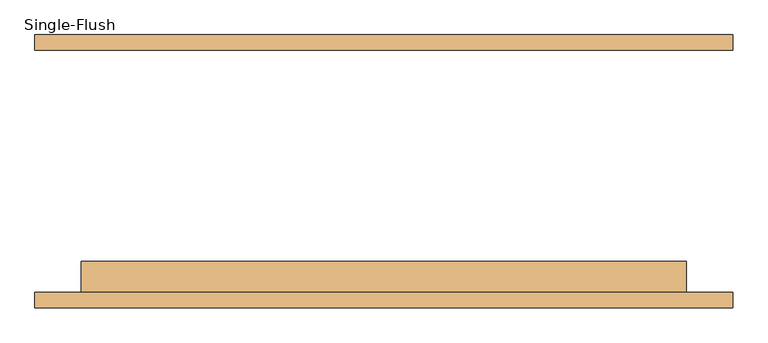
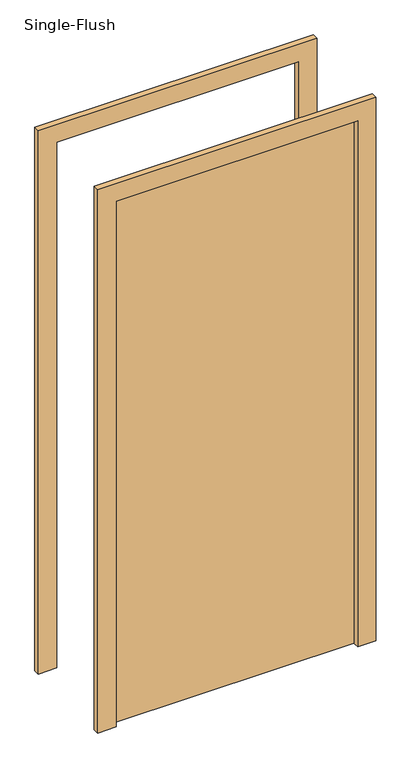
"""IFC4 building model written with IfcOpenShell, lengths in millimetres: door geometry, Single-Flush."""

from ifc_helpers import new_model, si_unit, frame, origin, origin_with_axes, place, context, project, spatial, polyline, outline, extrude, source, transform, mapped, element, save


def single_flush_e9b691e1(model_context):
    return source(origin(), model_context, "Body", "SweptSolid", [
        extrude(outline(polyline([(2376.2, -576.2), (0.0, -576.2), (0.0, -500.0), (2300.0, -500.0), (2300.0, 500.0), (0.0, 500.0), (0.0, 576.2), (2376.2, 576.2), (2376.2, -576.2)])), frame((0.0, -225.4, 0.0), z_axis=(0.0, 1.0, 0.0), x_axis=(0.0, 0.0, 1.0)), (0.0, 0.0, 1.0), 25.4),
        extrude(outline(polyline([(2376.2, 576.2), (2376.2, -576.2), (0.0, -576.2), (0.0, -500.0), (2300.0, -500.0), (2300.0, 500.0), (0.0, 500.0), (0.0, 576.2), (2376.2, 576.2)])), frame((0.0, 200.0, 0.0), z_axis=(0.0, 1.0, 0.0), x_axis=(0.0, 0.0, 1.0)), (0.0, 0.0, 1.0), 25.4),
        extrude(outline(polyline([(500.0, -149.2), (500.0, -200.0), (-500.0, -200.0), (-500.0, -149.2), (500.0, -149.2)])), origin_with_axes(), (0.0, 0.0, 1.0), 2300.0),
    ])


if __name__ == "__main__":
    model = new_model("IFC4")
    model_context = context("Model", 3, world=origin())
    ifc_project = project(units=[si_unit("LENGTHUNIT", "METRE", prefix="MILLI")], contexts=[model_context])
    site = spatial("IfcSite", under=ifc_project)
    building = spatial("IfcBuilding", under=site)
    placement = place(None, origin())
    single_flush_shape = single_flush_e9b691e1(model_context)
    element("IfcDoor", 1, ObjectType="Single-Flush", at=placement, inside=building, context=model_context, shape_type="MappedRepresentation", body=[
        mapped(single_flush_shape, transform((0.0, 0.0, 0.0), x_axis=(1.0, 0.0, 0.0), y_axis=(0.0, 1.0, 0.0), z_axis=(0.0, 0.0, 1.0))),
    ])
    save(model, "model.ifc")
